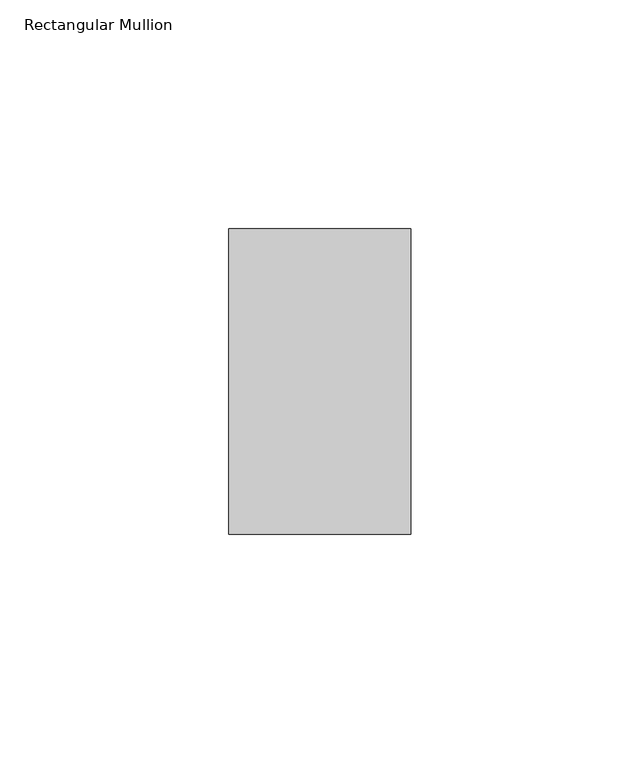
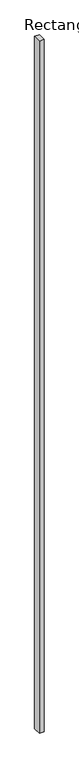
"""IFC4 building model written with IfcOpenShell, lengths in millimetres: member geometry, Rectangular Mullion."""

from ifc_helpers import new_model, si_unit, frame, origin, place, context, project, spatial, polyline, outline, extrude, source, transform, mapped, element, save


def rectangular_mullion_e6e5ac15(model_context):
    return source(origin(), model_context, "Body", "SweptSolid", [
        extrude(outline(polyline([(0.0, 33.3375), (0.0, -33.3375), (-39.6875, -33.3375), (-39.6875, 33.3375), (0.0, 33.3375)])), frame((0.0, 0.0, -6096.0), z_axis=(0.0, 0.0, 1.0), x_axis=(1.0, 0.0, 0.0)), (0.0, 0.0, 1.0), 6096.0),
    ])


if __name__ == "__main__":
    model = new_model("IFC4")
    model_context = context("Model", 3, world=origin())
    ifc_project = project(units=[si_unit("LENGTHUNIT", "METRE", prefix="MILLI")], contexts=[model_context])
    site = spatial("IfcSite", under=ifc_project)
    building = spatial("IfcBuilding", under=site)
    placement = place(None, origin())
    rectangular_mullion_shape = rectangular_mullion_e6e5ac15(model_context)
    element("IfcMember", 1, ObjectType="Rectangular Mullion", at=placement, inside=building, context=model_context, shape_type="MappedRepresentation", body=[
        mapped(rectangular_mullion_shape, transform((0.0, 0.0, 0.0), x_axis=(1.0, 0.0, 0.0), y_axis=(0.0, 1.0, 0.0), z_axis=(0.0, 0.0, 1.0))),
    ])
    save(model, "model.ifc")
